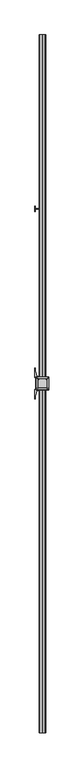
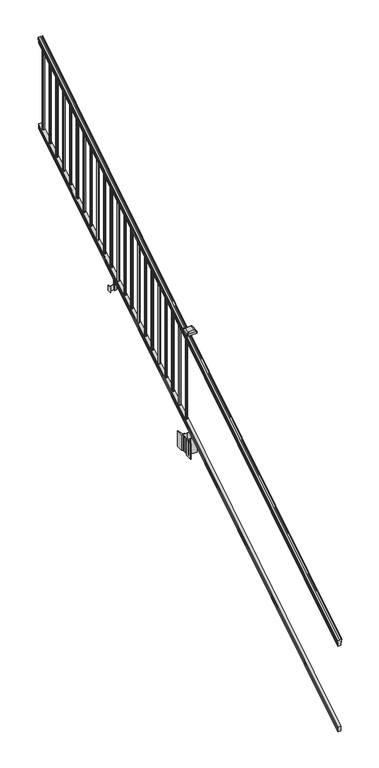
"""IFC4 building model written with IfcOpenShell, lengths in millimetres: railing geometry."""

from ifc_helpers import new_model, si_unit, point, frame, frame_2d, origin, place, context, project, spatial, polyline, circle_curve, ellipse_curve, trimmed, segment, composite_curve, outline, extrude, faceted_brep, source, transform, mapped, element, save
from ifc_brep_helpers import plane_surface, cylinder_surface, revolved_surface, extruded_surface, advanced_brep


def railing_89a7f696(model_context):
    return source(origin(), model_context, "Body", "SolidModel", [
        advanced_brep(
        [(8518.5130321, -22300.2194681, 1133.2070492), (8518.5130321, -22300.2194681, 1135.4335658), (8519.6432184, -22300.2194681, 1137.2758543), (8519.6432184, -22300.2194681, 1145.7876358), (8518.993962, -22300.2194681, 1148.6572588), (8521.493962, -22300.2194681, 1153.7635509), (8522.9033045, -22300.2194681, 1155.7442021), (8523.3052035, -22300.2194681, 1157.0469579), (8523.3052034, -22300.2194681, 1158.6274846), (8521.7517561, -22300.2194681, 1160.4593836), (8501.0802034, -22300.2194681, 1160.4593836), (8480.4086506, -22300.2194681, 1160.4593836), (8478.8552034, -22300.2194681, 1158.6274846), (8478.8552034, -22300.2194681, 1157.0469579), (8479.2571023, -22300.2194681, 1155.7442021), (8480.6664447, -22300.2194681, 1153.7635509), (8483.1664447, -22300.2194681, 1148.6572588), (8482.5171883, -22300.2194681, 1145.7876358), (8482.5171883, -22300.2194681, 1137.2758543), (8483.6473746, -22300.2194681, 1135.4335658), (8483.6473746, -22300.2194681, 1133.2070492), (8486.2212034, -22300.2194681, 1133.2070492), (8486.2212034, -22300.2194681, 1120.825537), (8485.2052034, -22300.2194681, 1119.6274214), (8485.2052034, -22300.2194681, 1104.9), (8516.9552034, -22300.2194681, 1104.9), (8516.9552034, -22300.2194681, 1119.441318), (8515.9392034, -22300.2194681, 1120.6394336), (8515.9392034, -22300.2194681, 1133.2070492), (8518.5130321, -17423.4194681, 4181.2070492), (8515.9392034, -17423.4194681, 4181.2070492), (8515.9392034, -17423.4194681, 4168.6394336), (8516.9552034, -17423.4194681, 4167.441318), (8516.9552034, -17423.4194681, 4152.9), (8485.2052034, -17423.4194681, 4152.9), (8485.2052034, -17423.4194681, 4167.6274214), (8486.2212034, -17423.4194681, 4168.825537), (8486.2212034, -17423.4194681, 4181.2070492), (8483.6473746, -17423.4194681, 4181.2070492), (8483.6473746, -17423.4194681, 4183.4335658), (8482.5171883, -17423.4194681, 4185.2758543), (8482.5171883, -17423.4194681, 4193.7876358), (8483.1664447, -17423.4194681, 4196.6572588), (8480.6664447, -17423.4194681, 4201.7635509), (8479.2571023, -17423.4194681, 4203.7442021), (8478.8552033, -17423.4194681, 4205.0469579), (8478.8552034, -17423.4194681, 4206.6274846), (8480.4086506, -17423.4194681, 4208.4593836), (8501.0802034, -17423.4194681, 4208.4593836), (8521.7517561, -17423.4194681, 4208.4593836), (8523.3052034, -17423.4194681, 4206.6274846), (8523.3052034, -17423.4194681, 4205.0469579), (8522.9033045, -17423.4194681, 4203.7442021), (8521.493962, -17423.4194681, 4201.7635509), (8518.993962, -17423.4194681, 4196.6572588), (8519.6432184, -17423.4194681, 4193.7876358), (8519.6432184, -17423.4194681, 4185.2758543), (8518.5130321, -17423.4194681, 4183.4335658)],
        [
            (0, 1),
            (1, 2, ellipse_curve(frame((8512.1982788, -22300.2194681, 1142.2239405), z_axis=(0.0, -1.0, 0.0), x_axis=(0.0, 0.0, -1.0)), 10.0777926, 8.545951)),
            (2, 3, ellipse_curve(frame((8512.6353418, -22300.2194681, 1141.5317451), z_axis=(0.0, -1.0, 0.0), x_axis=(0.0, 0.0, -1.0)), 9.2955186, 7.882584)),
            (3, 4, ellipse_curve(frame((8523.1486659, -22300.2194681, 1148.4275077), z_axis=(0.0, 1.0, 0.0), x_axis=(0.0, 0.0, 1.0)), 4.9048088, 4.1592695)),
            (4, 5, ellipse_curve(frame((8524.4359725, -22300.2194681, 1148.3563208), z_axis=(0.0, 1.0, 0.0), x_axis=(0.0, 0.0, 1.0)), 6.4245301, 5.4479907)),
            (5, 6, ellipse_curve(frame((8523.202814, -22300.2194681, 1153.7602333), z_axis=(0.0, 1.0, 0.0), x_axis=(0.0, 0.0, 1.0)), 2.0151625, 1.7088543)),
            (6, 7, ellipse_curve(frame((8521.5859139, -22300.2194681, 1157.0469579), z_axis=(0.0, -1.0, 0.0), x_axis=(0.0, 0.0, -1.0)), 2.0274681, 1.7192895)),
            (7, 8),
            (8, 9, ellipse_curve(frame((8521.7517561, -22300.2194681, 1158.6274846), z_axis=(0.0, -1.0, 0.0), x_axis=(0.0, 0.0, -1.0)), 1.831899, 1.5534472)),
            (9, 10),
            (10, 11),
            (11, 12, ellipse_curve(frame((8480.4086506, -22300.2194681, 1158.6274846), z_axis=(0.0, -1.0, 0.0), x_axis=(0.0, 0.0, -1.0)), 1.831899, 1.5534472)),
            (12, 13),
            (13, 14, ellipse_curve(frame((8480.5744928, -22300.2194681, 1157.0469579), z_axis=(0.0, -1.0, 0.0), x_axis=(0.0, 0.0, -1.0)), 2.0274681, 1.7192895)),
            (14, 15, ellipse_curve(frame((8478.9575927, -22300.2194681, 1153.7602333), z_axis=(0.0, 1.0, 0.0), x_axis=(0.0, 0.0, 1.0)), 2.0151625, 1.7088543)),
            (15, 16, ellipse_curve(frame((8477.7244343, -22300.2194681, 1148.3563208), z_axis=(0.0, 1.0, 0.0), x_axis=(0.0, 0.0, 1.0)), 6.4245301, 5.4479907)),
            (16, 17, ellipse_curve(frame((8479.0117408, -22300.2194681, 1148.4275077), z_axis=(0.0, 1.0, 0.0), x_axis=(0.0, 0.0, 1.0)), 4.9048088, 4.1592695)),
            (17, 18, ellipse_curve(frame((8489.525065, -22300.2194681, 1141.5317451), z_axis=(0.0, -1.0, 0.0), x_axis=(0.0, 0.0, -1.0)), 9.2955186, 7.882584)),
            (18, 19, ellipse_curve(frame((8489.9621279, -22300.2194681, 1142.2239405), z_axis=(0.0, -1.0, 0.0), x_axis=(0.0, 0.0, -1.0)), 10.0777926, 8.545951)),
            (19, 20),
            (20, 21, ellipse_curve(frame((8484.934289, -22300.2194681, 1133.2070492), z_axis=(0.0, -1.0, 0.0), x_axis=(0.0, 0.0, -1.0)), 1.5175907, 1.2869144)),
            (21, 22),
            (22, 23),
            (23, 24),
            (24, 25),
            (25, 26),
            (26, 27),
            (27, 28),
            (28, 0, ellipse_curve(frame((8517.2261177, -22300.2194681, 1133.2070492), z_axis=(0.0, -1.0, 0.0), x_axis=(0.0, 0.0, -1.0)), 1.5175907, 1.2869144)),
            (29, 30, ellipse_curve(frame((8517.2261177, -17423.4194681, 4181.2070492), z_axis=(0.0, 1.0, 0.0), x_axis=(0.0, 0.0, -1.0)), 1.5175907, 1.2869144)),
            (30, 31),
            (31, 32),
            (32, 33),
            (33, 34),
            (34, 35),
            (35, 36),
            (36, 37),
            (37, 38, ellipse_curve(frame((8484.934289, -17423.4194681, 4181.2070492), z_axis=(0.0, 1.0, 0.0), x_axis=(0.0, 0.0, -1.0)), 1.5175907, 1.2869144)),
            (38, 39),
            (39, 40, ellipse_curve(frame((8489.9621279, -17423.4194681, 4190.2239405), z_axis=(0.0, 1.0, 0.0), x_axis=(0.0, 0.0, -1.0)), 10.0777926, 8.545951)),
            (40, 41, ellipse_curve(frame((8489.525065, -17423.4194681, 4189.5317451), z_axis=(0.0, 1.0, 0.0), x_axis=(0.0, 0.0, -1.0)), 9.2955186, 7.882584)),
            (41, 42, ellipse_curve(frame((8479.0117408, -17423.4194681, 4196.4275077), z_axis=(0.0, -1.0, 0.0), x_axis=(0.0, 0.0, 1.0)), 4.9048088, 4.1592695)),
            (42, 43, ellipse_curve(frame((8477.7244343, -17423.4194681, 4196.3563208), z_axis=(0.0, -1.0, 0.0), x_axis=(0.0, 0.0, 1.0)), 6.4245301, 5.4479907)),
            (43, 44, ellipse_curve(frame((8478.9575927, -17423.4194681, 4201.7602333), z_axis=(0.0, -1.0, 0.0), x_axis=(0.0, 0.0, 1.0)), 2.0151625, 1.7088543)),
            (44, 45, ellipse_curve(frame((8480.5744928, -17423.4194681, 4205.0469579), z_axis=(0.0, 1.0, 0.0), x_axis=(0.0, 0.0, -1.0)), 2.0274681, 1.7192895)),
            (45, 46),
            (46, 47, ellipse_curve(frame((8480.4086506, -17423.4194681, 4206.6274846), z_axis=(0.0, 1.0, 0.0), x_axis=(0.0, 0.0, -1.0)), 1.831899, 1.5534472)),
            (47, 48),
            (48, 49),
            (49, 50, ellipse_curve(frame((8521.7517561, -17423.4194681, 4206.6274846), z_axis=(0.0, 1.0, 0.0), x_axis=(0.0, 0.0, -1.0)), 1.831899, 1.5534472)),
            (50, 51),
            (51, 52, ellipse_curve(frame((8521.5859139, -17423.4194681, 4205.0469579), z_axis=(0.0, 1.0, 0.0), x_axis=(0.0, 0.0, -1.0)), 2.0274681, 1.7192895)),
            (52, 53, ellipse_curve(frame((8523.202814, -17423.4194681, 4201.7602333), z_axis=(0.0, -1.0, 0.0), x_axis=(0.0, 0.0, 1.0)), 2.0151625, 1.7088543)),
            (53, 54, ellipse_curve(frame((8524.4359725, -17423.4194681, 4196.3563208), z_axis=(0.0, -1.0, 0.0), x_axis=(0.0, 0.0, 1.0)), 6.4245301, 5.4479907)),
            (54, 55, ellipse_curve(frame((8523.1486659, -17423.4194681, 4196.4275077), z_axis=(0.0, -1.0, 0.0), x_axis=(0.0, 0.0, 1.0)), 4.9048088, 4.1592695)),
            (55, 56, ellipse_curve(frame((8512.6353418, -17423.4194681, 4189.5317451), z_axis=(0.0, 1.0, 0.0), x_axis=(0.0, 0.0, -1.0)), 9.2955186, 7.882584)),
            (56, 57, ellipse_curve(frame((8512.1982788, -17423.4194681, 4190.2239405), z_axis=(0.0, 1.0, 0.0), x_axis=(0.0, 0.0, -1.0)), 10.0777926, 8.545951)),
            (57, 29),
            (28, 30),
            (29, 0),
            (27, 31),
            (26, 32),
            (25, 33),
            (24, 34),
            (23, 35),
            (22, 36),
            (21, 37),
            (20, 38),
            (19, 39),
            (18, 40),
            (17, 41),
            (16, 42),
            (15, 43),
            (14, 44),
            (13, 45),
            (12, 46),
            (11, 47),
            (10, 48),
            (9, 49),
            (8, 50),
            (7, 51),
            (6, 52),
            (5, 53),
            (4, 54),
            (3, 55),
            (2, 56),
            (1, 57),
        ],
        [
            plane_surface(frame((8501.0802034, -22300.2194681, 1104.9), z_axis=(0.0, -1.0, 0.0), x_axis=(0.0, 0.0, 1.0))),
            plane_surface(frame((8501.0802034, -17423.4194681, 4152.9), z_axis=(0.0, 1.0, 0.0), x_axis=(0.0, 0.0, 1.0))),
            cylinder_surface(frame((8517.2261177, -22312.9417374, 1125.2556309), z_axis=(0.0, -0.8479983040051251, -0.5299989400031206), x_axis=(-1.0, 0.0, 0.0)), 1.2869144),
            plane_surface(frame((8515.9392034, -22300.2194681, 1120.6394336), z_axis=(1.0, 0.0, 0.0), x_axis=(0.0, 0.8479983040051251, 0.5299989400031206))),
            plane_surface(frame((8516.9552034, -22300.2194681, 1119.441318), z_axis=(0.7071067811865389, -0.3747658444978941, 0.5996253511967222), x_axis=(0.0, 0.8479983040051251, 0.5299989400031206))),
            plane_surface(frame((8516.9552034, -22300.2194681, 1104.9), z_axis=(1.0, 0.0, 0.0), x_axis=(0.0, 0.8479983040051251, 0.5299989400031206))),
            plane_surface(frame((8485.2052034, -22300.2194681, 1104.9), z_axis=(0.0, 0.5299989400031206, -0.8479983040051251), x_axis=(0.0, 0.8479983040051251, 0.5299989400031206))),
            plane_surface(frame((8485.2052034, -22300.2194681, 1119.6274214), z_axis=(-1.0000000000000002, 0.0, 0.0), x_axis=(0.0, 0.8479983040051251, 0.5299989400031208))),
            plane_surface(frame((8486.2212034, -22300.2194681, 1120.825537), z_axis=(-0.7071067811865438, -0.3747658444978901, 0.5996253511967191), x_axis=(0.0, 0.8479983040051251, 0.5299989400031208))),
            plane_surface(frame((8486.2212034, -22300.2194681, 1133.2070492), z_axis=(-1.0, 0.0, 0.0), x_axis=(0.0, 0.8479983040051251, 0.5299989400031206))),
            cylinder_surface(frame((8484.934289, -22312.9417374, 1125.2556309), z_axis=(0.0, -0.8479983040051251, -0.5299989400031206), x_axis=(1.0, 0.0, 0.0)), 1.2869144),
            plane_surface(frame((8483.6473746, -22300.2194681, 1135.4335658), z_axis=(-1.0, 0.0, 0.0), x_axis=(0.0, 0.8479983040051251, 0.5299989400031206))),
            cylinder_surface(frame((8489.9621279, -22316.9942728, 1131.7396876), z_axis=(0.0, -0.8479983040051251, -0.5299989400031206), x_axis=(1.0, 0.0, 0.0)), 8.545951),
            cylinder_surface(frame((8489.525065, -22316.6831737, 1131.241929), z_axis=(0.0, -0.8479983040051251, -0.5299989400031206), x_axis=(1.0, 0.0, 0.0)), 7.882584),
            revolved_surface(polyline([(8483.1710103, -17421.21505965035, 4197.805262980555), (8483.1710103, -22302.423876549437, 1147.0497524191003)]), (8479.0117408, -22319.7823929, 1136.2006797), (0.0, 0.8479983040051251, 0.5299989400031206)),
            revolved_surface(polyline([(8483.172425, -17420.53203883574, 4198.160964077185), (8483.172425, -22303.10689735281, 1146.551677504493)]), (8477.7244343, -22319.7503988, 1136.1494891), (0.0, 0.8479983040051251, 0.5299989400031206)),
            revolved_surface(polyline([(8480.666447000001, -17422.513777099786, 4202.326290199656), (8480.666447000001, -22301.12515912247, 1153.1941764359528)]), (8478.9575927, -22322.1791235, 1140.0354487), (0.0, 0.8479983040051251, 0.5299989400031206)),
            cylinder_surface(frame((8480.5744928, -22323.6563031, 1142.398936), z_axis=(0.0, -0.8479983040051251, -0.5299989400031206), x_axis=(1.0, 0.0, 0.0)), 1.7192895),
            plane_surface(frame((8478.8552034, -22300.2194681, 1158.6274846), z_axis=(-1.0000000000000002, 0.0, 0.0), x_axis=(0.0, 0.8479983040051251, 0.5299989400031208))),
            cylinder_surface(frame((8480.4086506, -22324.3666522, 1143.5354945), z_axis=(0.0, -0.8479983040051251, -0.5299989400031206), x_axis=(1.0, 0.0, 0.0)), 1.5534472),
            plane_surface(frame((8501.0802034, -22300.2194681, 1160.4593836), z_axis=(0.0, -0.5299989400031206, 0.8479983040051252), x_axis=(0.0, 0.8479983040051252, 0.5299989400031206))),
            plane_surface(frame((8521.7517561, -22300.2194681, 1160.4593836), z_axis=(0.0, -0.5299989400031206, 0.8479983040051252), x_axis=(0.0, 0.8479983040051252, 0.5299989400031206))),
            cylinder_surface(frame((8521.7517561, -22324.3666522, 1143.5354945), z_axis=(0.0, -0.8479983040051251, -0.5299989400031206), x_axis=(-1.0, 0.0, 0.0)), 1.5534472),
            plane_surface(frame((8523.3052034, -22300.2194681, 1157.0469579), z_axis=(1.0, 0.0, 0.0), x_axis=(0.0, 0.8479983040051251, 0.5299989400031206))),
            cylinder_surface(frame((8521.5859139, -22323.6563031, 1142.398936), z_axis=(0.0, -0.8479983040051251, -0.5299989400031206), x_axis=(-1.0, 0.0, 0.0)), 1.7192895),
            revolved_surface(polyline([(8521.4939597, -17422.513777099786, 4202.326290199656), (8521.4939597, -22301.12515912247, 1153.1941764359528)]), (8523.202814, -22322.1791235, 1140.0354487), (0.0, 0.8479983040051251, 0.5299989400031206)),
            revolved_surface(polyline([(8518.987981799999, -17420.53203883574, 4198.160964077185), (8518.987981799999, -22303.10689735281, 1146.551677504493)]), (8524.4359725, -22319.7503988, 1136.1494891), (0.0, 0.8479983040051251, 0.5299989400031206)),
            revolved_surface(polyline([(8518.9893964, -17421.21505965035, 4197.805262980555), (8518.9893964, -22302.423876549437, 1147.0497524191003)]), (8523.1486659, -22319.7823929, 1136.2006797), (0.0, 0.8479983040051251, 0.5299989400031206)),
            cylinder_surface(frame((8512.6353418, -22316.6831737, 1131.241929), z_axis=(0.0, -0.8479983040051251, -0.5299989400031206), x_axis=(-1.0, 0.0, 0.0)), 7.882584),
            cylinder_surface(frame((8512.1982788, -22316.9942728, 1131.7396876), z_axis=(0.0, -0.8479983040051251, -0.5299989400031206), x_axis=(-1.0, 0.0, 0.0)), 8.545951),
            plane_surface(frame((8518.5130321, -22300.2194681, 1133.2070492), z_axis=(1.0, 0.0, 0.0), x_axis=(0.0, 0.8479983040051251, 0.5299989400031206))),
        ],
        [
            (0, [[1, 2, 3, 4, 5, 6, 7, 8, 9, 10, 11, 12, 13, 14, 15, 16, 17, 18, 19, 20, 21, 22, 23, 24, 25, 26, 27, 28, 29]]),
            (1, [[30, 31, 32, 33, 34, 35, 36, 37, 38, 39, 40, 41, 42, 43, 44, 45, 46, 47, 48, 49, 50, 51, 52, 53, 54, 55, 56, 57, 58]]),
            (2, [[-29, 59, -30, 60]]),
            (3, [[-28, 61, -31, -59]]),
            (4, [[-27, 62, -32, -61]]),
            (5, [[-26, 63, -33, -62]]),
            (6, [[-25, 64, -34, -63]]),
            (7, [[-24, 65, -35, -64]]),
            (8, [[-23, 66, -36, -65]]),
            (9, [[-22, 67, -37, -66]]),
            (10, [[-21, 68, -38, -67]]),
            (11, [[-20, 69, -39, -68]]),
            (12, [[-19, 70, -40, -69]]),
            (13, [[-18, 71, -41, -70]]),
            (14, [[-17, 72, -42, -71]]),
            (15, [[-16, 73, -43, -72]]),
            (16, [[-15, 74, -44, -73]]),
            (17, [[-14, 75, -45, -74]]),
            (18, [[-13, 76, -46, -75]]),
            (19, [[-12, 77, -47, -76]]),
            (20, [[-11, 78, -48, -77]]),
            (21, [[-10, 79, -49, -78]]),
            (22, [[-9, 80, -50, -79]]),
            (23, [[-8, 81, -51, -80]]),
            (24, [[-7, 82, -52, -81]]),
            (25, [[-6, 83, -53, -82]]),
            (26, [[-5, 84, -54, -83]]),
            (27, [[-4, 85, -55, -84]]),
            (28, [[-3, 86, -56, -85]]),
            (29, [[-2, 87, -57, -86]]),
            (30, [[-1, -60, -58, -87]]),
        ],
    ),
        faceted_brep([(8516.9926903, -22300.2194681, 268.8045079), (8515.9766903, -22300.2194681, 270.338026), (8515.9766903, -22300.2194681, 282.5545048), (8516.9926903, -22300.2194681, 284.1444579), (8516.9926903, -22300.2194681, 298.9244744), (8485.2426903, -22300.2194681, 298.9244744), (8485.2426903, -22300.2194681, 284.1248272), (8486.2586903, -22300.2194681, 282.5348741), (8486.2586903, -22300.2194681, 270.3748303), (8485.2426903, -22300.2194681, 268.7848772), (8485.2426903, -22300.2194681, 254.0), (8516.9926903, -22300.2194681, 254.0), (8516.9926903, -17423.4194681, 3316.8045079), (8516.9926903, -17423.4194681, 3302.0), (8485.2426903, -17423.4194681, 3302.0), (8485.2426903, -17423.4194681, 3316.7848772), (8486.2586903, -17423.4194681, 3318.3748303), (8486.2586903, -17423.4194681, 3330.5348741), (8485.2426903, -17423.4194681, 3332.1248272), (8485.2426903, -17423.4194681, 3346.9244744), (8516.9926903, -17423.4194681, 3346.9244744), (8516.9926903, -17423.4194681, 3332.1444579), (8515.9766903, -17423.4194681, 3330.5545048), (8515.9766903, -17423.4194681, 3318.338026)], [[[0, 1, 2, 3, 4, 5, 6, 7, 8, 9, 10, 11]], [[12, 13, 14, 15, 16, 17, 18, 19, 20, 21, 22, 23]], [[0, 11, 13, 12]], [[11, 10, 14, 13]], [[10, 9, 15, 14]], [[9, 8, 16, 15]], [[8, 7, 17, 16]], [[7, 6, 18, 17]], [[6, 5, 19, 18]], [[5, 4, 20, 19]], [[4, 3, 21, 20]], [[3, 2, 22, 21]], [[2, 1, 23, 22]], [[1, 0, 12, 23]]]),
        extrude(outline(composite_curve([segment(trimmed(circle_curve(frame_2d((8501.0802034, -17470.6634681)), 9.525), [point((8510.6052034, -17470.6634681))], [point((8501.0802034, -17480.1884681))], False, "CARTESIAN"), True, "CONTINUOUS"), segment(trimmed(circle_curve(frame_2d((8501.0802034, -17470.6634681)), 9.525), [point((8501.0802034, -17480.1884681))], [point((8491.5552034, -17470.6634681))], False, "CARTESIAN"), True, "CONTINUOUS"), segment(trimmed(circle_curve(frame_2d((8501.0802034, -17470.6634681)), 9.525), [point((8491.5552034, -17470.6634681))], [point((8501.0802034, -17461.1384681))], False, "CARTESIAN"), True, "CONTINUOUS"), segment(trimmed(circle_curve(frame_2d((8501.0802034, -17470.6634681)), 9.525), [point((8501.0802034, -17461.1384681))], [point((8510.6052034, -17470.6634681))], False, "CARTESIAN"), True, "CONTINUOUS")], self_intersect=False)), frame((0.0, 0.0, 3310.5683781), z_axis=(0.0, 0.0, 1.0), x_axis=(1.0, 0.0, 0.0)), (0.0, 0.0, 1.0), 812.8041219),
        extrude(outline(composite_curve([segment(trimmed(circle_curve(frame_2d((8501.0802034, -17581.9154681)), 9.525), [point((8510.6052034, -17581.9154681))], [point((8501.0802034, -17591.4404681))], False, "CARTESIAN"), True, "CONTINUOUS"), segment(trimmed(circle_curve(frame_2d((8501.0802034, -17581.9154681)), 9.525), [point((8501.0802034, -17591.4404681))], [point((8491.5552034, -17581.9154681))], False, "CARTESIAN"), True, "CONTINUOUS"), segment(trimmed(circle_curve(frame_2d((8501.0802034, -17581.9154681)), 9.525), [point((8491.5552034, -17581.9154681))], [point((8501.0802034, -17572.3904681))], False, "CARTESIAN"), True, "CONTINUOUS"), segment(trimmed(circle_curve(frame_2d((8501.0802034, -17581.9154681)), 9.525), [point((8501.0802034, -17572.3904681))], [point((8510.6052034, -17581.9154681))], False, "CARTESIAN"), True, "CONTINUOUS")], self_intersect=False)), frame((0.0, 0.0, 3241.0358781), z_axis=(0.0, 0.0, 1.0), x_axis=(1.0, 0.0, 0.0)), (0.0, 0.0, 1.0), 812.8041219),
        extrude(outline(composite_curve([segment(trimmed(circle_curve(frame_2d((8501.0802034, -17693.1674681)), 9.525), [point((8510.6052034, -17693.1674681))], [point((8501.0802034, -17702.6924681))], False, "CARTESIAN"), True, "CONTINUOUS"), segment(trimmed(circle_curve(frame_2d((8501.0802034, -17693.1674681)), 9.525), [point((8501.0802034, -17702.6924681))], [point((8491.5552034, -17693.1674681))], False, "CARTESIAN"), True, "CONTINUOUS"), segment(trimmed(circle_curve(frame_2d((8501.0802034, -17693.1674681)), 9.525), [point((8491.5552034, -17693.1674681))], [point((8501.0802034, -17683.6424681))], False, "CARTESIAN"), True, "CONTINUOUS"), segment(trimmed(circle_curve(frame_2d((8501.0802034, -17693.1674681)), 9.525), [point((8501.0802034, -17683.6424681))], [point((8510.6052034, -17693.1674681))], False, "CARTESIAN"), True, "CONTINUOUS")], self_intersect=False)), frame((0.0, 0.0, 3171.5033781), z_axis=(0.0, 0.0, 1.0), x_axis=(1.0, 0.0, 0.0)), (0.0, 0.0, 1.0), 812.8041219),
        extrude(outline(composite_curve([segment(trimmed(circle_curve(frame_2d((8501.0802034, -17804.4194681)), 9.525), [point((8510.6052034, -17804.4194681))], [point((8501.0802034, -17813.9444681))], False, "CARTESIAN"), True, "CONTINUOUS"), segment(trimmed(circle_curve(frame_2d((8501.0802034, -17804.4194681)), 9.525), [point((8501.0802034, -17813.9444681))], [point((8491.5552034, -17804.4194681))], False, "CARTESIAN"), True, "CONTINUOUS"), segment(trimmed(circle_curve(frame_2d((8501.0802034, -17804.4194681)), 9.525), [point((8491.5552034, -17804.4194681))], [point((8501.0802034, -17794.8944681))], False, "CARTESIAN"), True, "CONTINUOUS"), segment(trimmed(circle_curve(frame_2d((8501.0802034, -17804.4194681)), 9.525), [point((8501.0802034, -17794.8944681))], [point((8510.6052034, -17804.4194681))], False, "CARTESIAN"), True, "CONTINUOUS")], self_intersect=False)), frame((0.0, 0.0, 3101.9708781), z_axis=(0.0, 0.0, 1.0), x_axis=(1.0, 0.0, 0.0)), (0.0, 0.0, 1.0), 812.8041219),
        extrude(outline(composite_curve([segment(trimmed(circle_curve(frame_2d((8501.0802034, -17915.6714681)), 9.525), [point((8510.6052034, -17915.6714681))], [point((8501.0802034, -17925.1964681))], False, "CARTESIAN"), True, "CONTINUOUS"), segment(trimmed(circle_curve(frame_2d((8501.0802034, -17915.6714681)), 9.525), [point((8501.0802034, -17925.1964681))], [point((8491.5552034, -17915.6714681))], False, "CARTESIAN"), True, "CONTINUOUS"), segment(trimmed(circle_curve(frame_2d((8501.0802034, -17915.6714681)), 9.525), [point((8491.5552034, -17915.6714681))], [point((8501.0802034, -17906.1464681))], False, "CARTESIAN"), True, "CONTINUOUS"), segment(trimmed(circle_curve(frame_2d((8501.0802034, -17915.6714681)), 9.525), [point((8501.0802034, -17906.1464681))], [point((8510.6052034, -17915.6714681))], False, "CARTESIAN"), True, "CONTINUOUS")], self_intersect=False)), frame((0.0, 0.0, 3032.4383781), z_axis=(0.0, 0.0, 1.0), x_axis=(1.0, 0.0, 0.0)), (0.0, 0.0, 1.0), 812.8041219),
        extrude(outline(composite_curve([segment(trimmed(circle_curve(frame_2d((8501.0802034, -18026.9234681)), 9.525), [point((8510.6052034, -18026.9234681))], [point((8501.0802034, -18036.4484681))], False, "CARTESIAN"), True, "CONTINUOUS"), segment(trimmed(circle_curve(frame_2d((8501.0802034, -18026.9234681)), 9.525), [point((8501.0802034, -18036.4484681))], [point((8491.5552034, -18026.9234681))], False, "CARTESIAN"), True, "CONTINUOUS"), segment(trimmed(circle_curve(frame_2d((8501.0802034, -18026.9234681)), 9.525), [point((8491.5552034, -18026.9234681))], [point((8501.0802034, -18017.3984681))], False, "CARTESIAN"), True, "CONTINUOUS"), segment(trimmed(circle_curve(frame_2d((8501.0802034, -18026.9234681)), 9.525), [point((8501.0802034, -18017.3984681))], [point((8510.6052034, -18026.9234681))], False, "CARTESIAN"), True, "CONTINUOUS")], self_intersect=False)), frame((0.0, 0.0, 2962.9058781), z_axis=(0.0, 0.0, 1.0), x_axis=(1.0, 0.0, 0.0)), (0.0, 0.0, 1.0), 812.8041219),
        extrude(outline(composite_curve([segment(trimmed(circle_curve(frame_2d((8501.0802034, -18138.1754681)), 9.525), [point((8510.6052034, -18138.1754681))], [point((8501.0802034, -18147.7004681))], False, "CARTESIAN"), True, "CONTINUOUS"), segment(trimmed(circle_curve(frame_2d((8501.0802034, -18138.1754681)), 9.525), [point((8501.0802034, -18147.7004681))], [point((8491.5552034, -18138.1754681))], False, "CARTESIAN"), True, "CONTINUOUS"), segment(trimmed(circle_curve(frame_2d((8501.0802034, -18138.1754681)), 9.525), [point((8491.5552034, -18138.1754681))], [point((8501.0802034, -18128.6504681))], False, "CARTESIAN"), True, "CONTINUOUS"), segment(trimmed(circle_curve(frame_2d((8501.0802034, -18138.1754681)), 9.525), [point((8501.0802034, -18128.6504681))], [point((8510.6052034, -18138.1754681))], False, "CARTESIAN"), True, "CONTINUOUS")], self_intersect=False)), frame((0.0, 0.0, 2893.3733781), z_axis=(0.0, 0.0, 1.0), x_axis=(1.0, 0.0, 0.0)), (0.0, 0.0, 1.0), 812.8041219),
        extrude(outline(composite_curve([segment(trimmed(circle_curve(frame_2d((8501.0802034, -18249.4274681)), 9.525), [point((8510.6052034, -18249.4274681))], [point((8501.0802034, -18258.9524681))], False, "CARTESIAN"), True, "CONTINUOUS"), segment(trimmed(circle_curve(frame_2d((8501.0802034, -18249.4274681)), 9.525), [point((8501.0802034, -18258.9524681))], [point((8491.5552034, -18249.4274681))], False, "CARTESIAN"), True, "CONTINUOUS"), segment(trimmed(circle_curve(frame_2d((8501.0802034, -18249.4274681)), 9.525), [point((8491.5552034, -18249.4274681))], [point((8501.0802034, -18239.9024681))], False, "CARTESIAN"), True, "CONTINUOUS"), segment(trimmed(circle_curve(frame_2d((8501.0802034, -18249.4274681)), 9.525), [point((8501.0802034, -18239.9024681))], [point((8510.6052034, -18249.4274681))], False, "CARTESIAN"), True, "CONTINUOUS")], self_intersect=False)), frame((0.0, 0.0, 2823.8408781), z_axis=(0.0, 0.0, 1.0), x_axis=(1.0, 0.0, 0.0)), (0.0, 0.0, 1.0), 812.8041219),
        extrude(outline(composite_curve([segment(trimmed(circle_curve(frame_2d((8501.0802034, -18360.6794681)), 9.525), [point((8510.6052034, -18360.6794681))], [point((8501.0802034, -18370.2044681))], False, "CARTESIAN"), True, "CONTINUOUS"), segment(trimmed(circle_curve(frame_2d((8501.0802034, -18360.6794681)), 9.525), [point((8501.0802034, -18370.2044681))], [point((8491.5552034, -18360.6794681))], False, "CARTESIAN"), True, "CONTINUOUS"), segment(trimmed(circle_curve(frame_2d((8501.0802034, -18360.6794681)), 9.525), [point((8491.5552034, -18360.6794681))], [point((8501.0802034, -18351.1544681))], False, "CARTESIAN"), True, "CONTINUOUS"), segment(trimmed(circle_curve(frame_2d((8501.0802034, -18360.6794681)), 9.525), [point((8501.0802034, -18351.1544681))], [point((8510.6052034, -18360.6794681))], False, "CARTESIAN"), True, "CONTINUOUS")], self_intersect=False)), frame((0.0, 0.0, 2754.3083781), z_axis=(0.0, 0.0, 1.0), x_axis=(1.0, 0.0, 0.0)), (0.0, 0.0, 1.0), 812.8041219),
        extrude(outline(composite_curve([segment(trimmed(circle_curve(frame_2d((8501.0802034, -18471.9314681)), 9.525), [point((8510.6052034, -18471.9314681))], [point((8501.0802034, -18481.4564681))], False, "CARTESIAN"), True, "CONTINUOUS"), segment(trimmed(circle_curve(frame_2d((8501.0802034, -18471.9314681)), 9.525), [point((8501.0802034, -18481.4564681))], [point((8491.5552034, -18471.9314681))], False, "CARTESIAN"), True, "CONTINUOUS"), segment(trimmed(circle_curve(frame_2d((8501.0802034, -18471.9314681)), 9.525), [point((8491.5552034, -18471.9314681))], [point((8501.0802034, -18462.4064681))], False, "CARTESIAN"), True, "CONTINUOUS"), segment(trimmed(circle_curve(frame_2d((8501.0802034, -18471.9314681)), 9.525), [point((8501.0802034, -18462.4064681))], [point((8510.6052034, -18471.9314681))], False, "CARTESIAN"), True, "CONTINUOUS")], self_intersect=False)), frame((0.0, 0.0, 2684.7758781), z_axis=(0.0, 0.0, 1.0), x_axis=(1.0, 0.0, 0.0)), (0.0, 0.0, 1.0), 812.8041219),
        extrude(outline(composite_curve([segment(trimmed(circle_curve(frame_2d((8501.0802034, -18583.1834681)), 9.525), [point((8510.6052034, -18583.1834681))], [point((8501.0802034, -18592.7084681))], False, "CARTESIAN"), True, "CONTINUOUS"), segment(trimmed(circle_curve(frame_2d((8501.0802034, -18583.1834681)), 9.525), [point((8501.0802034, -18592.7084681))], [point((8491.5552034, -18583.1834681))], False, "CARTESIAN"), True, "CONTINUOUS"), segment(trimmed(circle_curve(frame_2d((8501.0802034, -18583.1834681)), 9.525), [point((8491.5552034, -18583.1834681))], [point((8501.0802034, -18573.6584681))], False, "CARTESIAN"), True, "CONTINUOUS"), segment(trimmed(circle_curve(frame_2d((8501.0802034, -18583.1834681)), 9.525), [point((8501.0802034, -18573.6584681))], [point((8510.6052034, -18583.1834681))], False, "CARTESIAN"), True, "CONTINUOUS")], self_intersect=False)), frame((0.0, 0.0, 2615.2433781), z_axis=(0.0, 0.0, 1.0), x_axis=(1.0, 0.0, 0.0)), (0.0, 0.0, 1.0), 812.8041219),
        extrude(outline(polyline([(8490.4122036, -18640.0794681), (8451.0422034, -18640.0794681), (8451.0422034, -18637.5394681), (8490.4122036, -18637.5394681), (8490.4122036, -18640.0794681)])), frame((0.0, 0.0, 2428.08125), z_axis=(0.0, 0.0, 1.0), x_axis=(1.0, 0.0, 0.0)), (0.0, 0.0, 1.0), 50.8),
        extrude(outline(polyline([(8451.0422034, -18657.8594681), (8448.5022034, -18657.8594681), (8448.5022034, -18619.7594681), (8451.0422034, -18619.7594681), (8451.0422034, -18657.8594681)])), frame((0.0, 0.0, 2428.08125), z_axis=(0.0, 0.0, 1.0), x_axis=(1.0, 0.0, 0.0)), (0.0, 0.0, 1.0), 50.8),
        extrude(outline(polyline([(8511.7482041, -18648.7154681), (8490.4122036, -18648.7154681), (8490.4122036, -18628.9034681), (8511.7482041, -18628.9034681), (8511.7482041, -18648.7154681)]), holes=[polyline([(8508.446204, -18646.1754681), (8508.446204, -18631.4434681), (8493.7142037, -18631.4434681), (8493.7142037, -18646.1754681), (8508.446204, -18646.1754681)])]), frame((0.0, 0.0, 2428.08125), z_axis=(0.0, 0.0, 1.0), x_axis=(1.0, 0.0, 0.0)), (0.0, 0.0, 1.0), 50.8),
        extrude(outline(polyline([(2567.6016479, 8482.9192046), (2566.8396469, 8482.1572035), (2540.3492523, 8482.1572035), (2539.5872513, 8482.9192046), (2539.5872513, 8492.9522036), (2538.8252512, 8493.7142037), (2475.3252512, 8493.7142037), (2475.3252512, 8508.446204), (2538.8252512, 8508.446204), (2539.5872513, 8509.2082041), (2539.5872513, 8519.2412032), (2540.3492523, 8520.0032042), (2566.8396469, 8520.0032042), (2567.6016479, 8519.2412032), (2567.6016479, 8517.2092036), (2566.5856453, 8516.1932038), (2556.1498581, 8516.1932038), (2555.1338573, 8517.2092036), (2543.143251, 8517.2092036), (2542.3812519, 8516.4472044), (2542.3812519, 8485.7132033), (2543.143251, 8484.9512041), (2555.1338573, 8484.9512041), (2556.1498581, 8485.9672039), (2566.5856453, 8485.9672039), (2567.6016479, 8484.9512041), (2567.6016479, 8482.9192046)]), holes=[polyline([(2539.5872513, 8504.5092038), (2538.8252512, 8505.2712038), (2482.8182531, 8505.2712038), (2482.0562531, 8504.5092038), (2482.0562531, 8497.6512011), (2482.8182503, 8496.8892039), (2538.8252512, 8496.8892039), (2539.5872513, 8497.651204), (2539.5872513, 8504.5092038)])]), frame((0.0, -18646.1754681, 0.0), z_axis=(0.0, 1.0, 0.0), x_axis=(0.0, 0.0, 1.0)), (0.0, 0.0, 1.0), 14.732),
        extrude(outline(composite_curve([segment(trimmed(circle_curve(frame_2d((8501.0802034, -18694.4354681)), 9.525), [point((8510.6052034, -18694.4354681))], [point((8501.0802034, -18703.9604681))], False, "CARTESIAN"), True, "CONTINUOUS"), segment(trimmed(circle_curve(frame_2d((8501.0802034, -18694.4354681)), 9.525), [point((8501.0802034, -18703.9604681))], [point((8491.5552034, -18694.4354681))], False, "CARTESIAN"), True, "CONTINUOUS"), segment(trimmed(circle_curve(frame_2d((8501.0802034, -18694.4354681)), 9.525), [point((8491.5552034, -18694.4354681))], [point((8501.0802034, -18684.9104681))], False, "CARTESIAN"), True, "CONTINUOUS"), segment(trimmed(circle_curve(frame_2d((8501.0802034, -18694.4354681)), 9.525), [point((8501.0802034, -18684.9104681))], [point((8510.6052034, -18694.4354681))], False, "CARTESIAN"), True, "CONTINUOUS")], self_intersect=False)), frame((0.0, 0.0, 2545.7108781), z_axis=(0.0, 0.0, 1.0), x_axis=(1.0, 0.0, 0.0)), (0.0, 0.0, 1.0), 812.8041219),
        extrude(outline(composite_curve([segment(trimmed(circle_curve(frame_2d((8501.0802034, -18805.6874681)), 9.525), [point((8510.6052034, -18805.6874681))], [point((8501.0802034, -18815.2124681))], False, "CARTESIAN"), True, "CONTINUOUS"), segment(trimmed(circle_curve(frame_2d((8501.0802034, -18805.6874681)), 9.525), [point((8501.0802034, -18815.2124681))], [point((8491.5552034, -18805.6874681))], False, "CARTESIAN"), True, "CONTINUOUS"), segment(trimmed(circle_curve(frame_2d((8501.0802034, -18805.6874681)), 9.525), [point((8491.5552034, -18805.6874681))], [point((8501.0802034, -18796.1624681))], False, "CARTESIAN"), True, "CONTINUOUS"), segment(trimmed(circle_curve(frame_2d((8501.0802034, -18805.6874681)), 9.525), [point((8501.0802034, -18796.1624681))], [point((8510.6052034, -18805.6874681))], False, "CARTESIAN"), True, "CONTINUOUS")], self_intersect=False)), frame((0.0, 0.0, 2476.1783781), z_axis=(0.0, 0.0, 1.0), x_axis=(1.0, 0.0, 0.0)), (0.0, 0.0, 1.0), 812.8041219),
        extrude(outline(composite_curve([segment(trimmed(circle_curve(frame_2d((8501.0802034, -18916.9394681)), 9.525), [point((8510.6052034, -18916.9394681))], [point((8501.0802034, -18926.4644681))], False, "CARTESIAN"), True, "CONTINUOUS"), segment(trimmed(circle_curve(frame_2d((8501.0802034, -18916.9394681)), 9.525), [point((8501.0802034, -18926.4644681))], [point((8491.5552034, -18916.9394681))], False, "CARTESIAN"), True, "CONTINUOUS"), segment(trimmed(circle_curve(frame_2d((8501.0802034, -18916.9394681)), 9.525), [point((8491.5552034, -18916.9394681))], [point((8501.0802034, -18907.4144681))], False, "CARTESIAN"), True, "CONTINUOUS"), segment(trimmed(circle_curve(frame_2d((8501.0802034, -18916.9394681)), 9.525), [point((8501.0802034, -18907.4144681))], [point((8510.6052034, -18916.9394681))], False, "CARTESIAN"), True, "CONTINUOUS")], self_intersect=False)), frame((0.0, 0.0, 2406.6458781), z_axis=(0.0, 0.0, 1.0), x_axis=(1.0, 0.0, 0.0)), (0.0, 0.0, 1.0), 812.8041219),
        extrude(outline(composite_curve([segment(trimmed(circle_curve(frame_2d((8501.0802034, -19028.1914681)), 9.525), [point((8510.6052034, -19028.1914681))], [point((8501.0802034, -19037.7164681))], False, "CARTESIAN"), True, "CONTINUOUS"), segment(trimmed(circle_curve(frame_2d((8501.0802034, -19028.1914681)), 9.525), [point((8501.0802034, -19037.7164681))], [point((8491.5552034, -19028.1914681))], False, "CARTESIAN"), True, "CONTINUOUS"), segment(trimmed(circle_curve(frame_2d((8501.0802034, -19028.1914681)), 9.525), [point((8491.5552034, -19028.1914681))], [point((8501.0802034, -19018.6664681))], False, "CARTESIAN"), True, "CONTINUOUS"), segment(trimmed(circle_curve(frame_2d((8501.0802034, -19028.1914681)), 9.525), [point((8501.0802034, -19018.6664681))], [point((8510.6052034, -19028.1914681))], False, "CARTESIAN"), True, "CONTINUOUS")], self_intersect=False)), frame((0.0, 0.0, 2337.1133781), z_axis=(0.0, 0.0, 1.0), x_axis=(1.0, 0.0, 0.0)), (0.0, 0.0, 1.0), 812.8041219),
        extrude(outline(composite_curve([segment(trimmed(circle_curve(frame_2d((8501.0802034, -19139.4434681)), 9.525), [point((8510.6052034, -19139.4434681))], [point((8501.0802034, -19148.9684681))], False, "CARTESIAN"), True, "CONTINUOUS"), segment(trimmed(circle_curve(frame_2d((8501.0802034, -19139.4434681)), 9.525), [point((8501.0802034, -19148.9684681))], [point((8491.5552034, -19139.4434681))], False, "CARTESIAN"), True, "CONTINUOUS"), segment(trimmed(circle_curve(frame_2d((8501.0802034, -19139.4434681)), 9.525), [point((8491.5552034, -19139.4434681))], [point((8501.0802034, -19129.9184681))], False, "CARTESIAN"), True, "CONTINUOUS"), segment(trimmed(circle_curve(frame_2d((8501.0802034, -19139.4434681)), 9.525), [point((8501.0802034, -19129.9184681))], [point((8510.6052034, -19139.4434681))], False, "CARTESIAN"), True, "CONTINUOUS")], self_intersect=False)), frame((0.0, 0.0, 2267.5808781), z_axis=(0.0, 0.0, 1.0), x_axis=(1.0, 0.0, 0.0)), (0.0, 0.0, 1.0), 812.8041219),
        extrude(outline(composite_curve([segment(trimmed(circle_curve(frame_2d((8501.0802034, -19250.6954681)), 9.525), [point((8510.6052034, -19250.6954681))], [point((8501.0802034, -19260.2204681))], False, "CARTESIAN"), True, "CONTINUOUS"), segment(trimmed(circle_curve(frame_2d((8501.0802034, -19250.6954681)), 9.525), [point((8501.0802034, -19260.2204681))], [point((8491.5552034, -19250.6954681))], False, "CARTESIAN"), True, "CONTINUOUS"), segment(trimmed(circle_curve(frame_2d((8501.0802034, -19250.6954681)), 9.525), [point((8491.5552034, -19250.6954681))], [point((8501.0802034, -19241.1704681))], False, "CARTESIAN"), True, "CONTINUOUS"), segment(trimmed(circle_curve(frame_2d((8501.0802034, -19250.6954681)), 9.525), [point((8501.0802034, -19241.1704681))], [point((8510.6052034, -19250.6954681))], False, "CARTESIAN"), True, "CONTINUOUS")], self_intersect=False)), frame((0.0, 0.0, 2198.0483781), z_axis=(0.0, 0.0, 1.0), x_axis=(1.0, 0.0, 0.0)), (0.0, 0.0, 1.0), 812.8041219),
        extrude(outline(composite_curve([segment(trimmed(circle_curve(frame_2d((8501.0802034, -19361.9474681)), 9.525), [point((8510.6052034, -19361.9474681))], [point((8501.0802034, -19371.4724681))], False, "CARTESIAN"), True, "CONTINUOUS"), segment(trimmed(circle_curve(frame_2d((8501.0802034, -19361.9474681)), 9.525), [point((8501.0802034, -19371.4724681))], [point((8491.5552034, -19361.9474681))], False, "CARTESIAN"), True, "CONTINUOUS"), segment(trimmed(circle_curve(frame_2d((8501.0802034, -19361.9474681)), 9.525), [point((8491.5552034, -19361.9474681))], [point((8501.0802034, -19352.4224681))], False, "CARTESIAN"), True, "CONTINUOUS"), segment(trimmed(circle_curve(frame_2d((8501.0802034, -19361.9474681)), 9.525), [point((8501.0802034, -19352.4224681))], [point((8510.6052034, -19361.9474681))], False, "CARTESIAN"), True, "CONTINUOUS")], self_intersect=False)), frame((0.0, 0.0, 2128.5158781), z_axis=(0.0, 0.0, 1.0), x_axis=(1.0, 0.0, 0.0)), (0.0, 0.0, 1.0), 812.8041219),
        extrude(outline(composite_curve([segment(trimmed(circle_curve(frame_2d((8501.0802034, -19473.1994681)), 9.525), [point((8510.6052034, -19473.1994681))], [point((8501.0802034, -19482.7244681))], False, "CARTESIAN"), True, "CONTINUOUS"), segment(trimmed(circle_curve(frame_2d((8501.0802034, -19473.1994681)), 9.525), [point((8501.0802034, -19482.7244681))], [point((8491.5552034, -19473.1994681))], False, "CARTESIAN"), True, "CONTINUOUS"), segment(trimmed(circle_curve(frame_2d((8501.0802034, -19473.1994681)), 9.525), [point((8491.5552034, -19473.1994681))], [point((8501.0802034, -19463.6744681))], False, "CARTESIAN"), True, "CONTINUOUS"), segment(trimmed(circle_curve(frame_2d((8501.0802034, -19473.1994681)), 9.525), [point((8501.0802034, -19463.6744681))], [point((8510.6052034, -19473.1994681))], False, "CARTESIAN"), True, "CONTINUOUS")], self_intersect=False)), frame((0.0, 0.0, 2058.9833781), z_axis=(0.0, 0.0, 1.0), x_axis=(1.0, 0.0, 0.0)), (0.0, 0.0, 1.0), 812.8041219),
        extrude(outline(composite_curve([segment(trimmed(circle_curve(frame_2d((8501.0802034, -19584.4514681)), 9.525), [point((8510.6052034, -19584.4514681))], [point((8501.0802034, -19593.9764681))], False, "CARTESIAN"), True, "CONTINUOUS"), segment(trimmed(circle_curve(frame_2d((8501.0802034, -19584.4514681)), 9.525), [point((8501.0802034, -19593.9764681))], [point((8491.5552034, -19584.4514681))], False, "CARTESIAN"), True, "CONTINUOUS"), segment(trimmed(circle_curve(frame_2d((8501.0802034, -19584.4514681)), 9.525), [point((8491.5552034, -19584.4514681))], [point((8501.0802034, -19574.9264681))], False, "CARTESIAN"), True, "CONTINUOUS"), segment(trimmed(circle_curve(frame_2d((8501.0802034, -19584.4514681)), 9.525), [point((8501.0802034, -19574.9264681))], [point((8510.6052034, -19584.4514681))], False, "CARTESIAN"), True, "CONTINUOUS")], self_intersect=False)), frame((0.0, 0.0, 1989.4508781), z_axis=(0.0, 0.0, 1.0), x_axis=(1.0, 0.0, 0.0)), (0.0, 0.0, 1.0), 812.8041219),
        extrude(outline(composite_curve([segment(trimmed(circle_curve(frame_2d((8501.0802034, -19695.7034681)), 9.525), [point((8510.6052034, -19695.7034681))], [point((8501.0802034, -19705.2284681))], False, "CARTESIAN"), True, "CONTINUOUS"), segment(trimmed(circle_curve(frame_2d((8501.0802034, -19695.7034681)), 9.525), [point((8501.0802034, -19705.2284681))], [point((8491.5552034, -19695.7034681))], False, "CARTESIAN"), True, "CONTINUOUS"), segment(trimmed(circle_curve(frame_2d((8501.0802034, -19695.7034681)), 9.525), [point((8491.5552034, -19695.7034681))], [point((8501.0802034, -19686.1784681))], False, "CARTESIAN"), True, "CONTINUOUS"), segment(trimmed(circle_curve(frame_2d((8501.0802034, -19695.7034681)), 9.525), [point((8501.0802034, -19686.1784681))], [point((8510.6052034, -19695.7034681))], False, "CARTESIAN"), True, "CONTINUOUS")], self_intersect=False)), frame((0.0, 0.0, 1919.9183781), z_axis=(0.0, 0.0, 1.0), x_axis=(1.0, 0.0, 0.0)), (0.0, 0.0, 1.0), 812.8041219),
        extrude(outline(composite_curve([segment(trimmed(circle_curve(frame_2d((8501.0802034, -19806.9554681)), 9.525), [point((8510.6052034, -19806.9554681))], [point((8501.0802034, -19816.4804681))], False, "CARTESIAN"), True, "CONTINUOUS"), segment(trimmed(circle_curve(frame_2d((8501.0802034, -19806.9554681)), 9.525), [point((8501.0802034, -19816.4804681))], [point((8491.5552034, -19806.9554681))], False, "CARTESIAN"), True, "CONTINUOUS"), segment(trimmed(circle_curve(frame_2d((8501.0802034, -19806.9554681)), 9.525), [point((8491.5552034, -19806.9554681))], [point((8501.0802034, -19797.4304681))], False, "CARTESIAN"), True, "CONTINUOUS"), segment(trimmed(circle_curve(frame_2d((8501.0802034, -19806.9554681)), 9.525), [point((8501.0802034, -19797.4304681))], [point((8510.6052034, -19806.9554681))], False, "CARTESIAN"), True, "CONTINUOUS")], self_intersect=False)), frame((0.0, 0.0, 1850.3858781), z_axis=(0.0, 0.0, 1.0), x_axis=(1.0, 0.0, 0.0)), (0.0, 0.0, 1.0), 812.8041219),
        extrude(outline(composite_curve([segment(polyline([(8543.8157034, -19876.665563), (8545.4032034, -19877.427563), (8545.4032034, -19900.229491), (8542.0302263, -19903.6024681), (8480.5705555, -19903.6024681), (8480.5705555, -19904.5232181), (8475.2530117, -19904.5232181), (8475.2530117, -19905.9774728), (8470.168482, -19905.9774728), (8470.168482, -19907.2614966), (8468.5012097, -19907.2614966)]), True, "CONTINUOUS"), segment(trimmed(circle_curve(frame_2d((8468.5012097, -19914.3209565)), 7.0594599), [point((8468.5012097, -19907.2614966))], [point((8461.7339468, -19912.3109498))], True, "CARTESIAN"), True, "CONTINUOUS"), segment(polyline([(8461.7339468, -19912.3109498), (8453.8597526, -19938.8216789)]), True, "CONTINUOUS"), segment(trimmed(circle_curve(frame_2d((8508.6442659, -19955.0937285)), 57.15), [point((8453.8597526, -19938.8216789))], [point((8451.4942659, -19955.0937285))], True, "CARTESIAN"), True, "CONTINUOUS"), segment(polyline([(8451.4942659, -19955.0937285), (8451.4942659, -19967.1024681), (8448.4942659, -19967.1024681), (8448.4942659, -19902.0149681), (8456.7572034, -19890.6766768), (8456.7572034, -19877.427563), (8458.3447034, -19876.665563), (8458.3447034, -19841.8933732), (8456.7572034, -19841.1313732), (8456.7572034, -19827.8822594), (8448.4942659, -19816.5439681), (8448.4942659, -19751.4564681), (8451.4942659, -19751.4564681), (8451.4942659, -19763.4652076)]), True, "CONTINUOUS"), segment(trimmed(circle_curve(frame_2d((8508.6442659, -19763.4652076)), 57.15), [point((8451.4942659, -19763.4652076))], [point((8453.8597526, -19779.7372573))], True, "CARTESIAN"), True, "CONTINUOUS"), segment(polyline([(8453.8597526, -19779.7372573), (8461.7339468, -19806.2479864)]), True, "CONTINUOUS"), segment(trimmed(circle_curve(frame_2d((8468.5012097, -19804.2379797)), 7.0594599), [point((8461.7339468, -19806.2479864))], [point((8468.5012097, -19811.2974396))], True, "CARTESIAN"), True, "CONTINUOUS"), segment(polyline([(8468.5012097, -19811.2974396), (8470.168482, -19811.2974396), (8470.168482, -19812.5814634), (8475.2530117, -19812.5814634), (8475.2530117, -19814.0357181), (8480.5705555, -19814.0357181), (8480.5705555, -19814.9564681), (8542.0302263, -19814.9564681), (8545.4032034, -19818.3294452), (8545.4032034, -19841.1313732), (8543.8157034, -19841.8933732), (8543.8157034, -19876.665563)]), True, "CONTINUOUS")], self_intersect=False), holes=[polyline([(8459.8052034, -19819.5919681), (8459.8052034, -19898.9669681), (8461.3927034, -19900.5544681), (8498.316986, -19900.5544681), (8540.7677034, -19900.5544681), (8542.3552034, -19898.9669681), (8542.3552034, -19819.5919681), (8540.7677034, -19818.0044681), (8498.316986, -19818.0044681), (8461.3927034, -19818.0044681), (8459.8052034, -19819.5919681)])]), frame((0.0, 0.0, 1563.6875), z_axis=(0.0, 0.0, 1.0), x_axis=(1.0, 0.0, 0.0)), (0.0, 0.0, 1.0), 152.4),
        advanced_brep(
        [(8475.2833284, -19888.2513431, 2776.026763), (8526.8770784, -19888.2513431, 2776.026763), (8530.0520784, -19885.0763431, 2776.026763), (8530.0520784, -19833.4825931, 2776.026763), (8526.8770784, -19830.3075931, 2776.026763), (8475.2833284, -19830.3075931, 2776.026763), (8472.1083284, -19833.4825931, 2776.026763), (8472.1083284, -19885.0763431, 2776.026763), (8459.0114534, -19904.5232181, 2764.723763), (8455.8364534, -19901.3482181, 2764.723763), (8455.8364534, -19817.2107181, 2764.723763), (8459.0114534, -19814.0357181, 2764.723763), (8543.1489534, -19814.0357181, 2764.723763), (8546.3239534, -19817.2107181, 2764.723763), (8546.3239534, -19901.3482181, 2764.723763), (8543.1489534, -19904.5232181, 2764.723763)],
        [
            (0, 1),
            (1, 2, circle_curve(frame((8526.8770784, -19885.0763431, 2776.026763), z_axis=(0.0, 0.0, 1.0), x_axis=(0.0, 1.0, 0.0)), 3.175)),
            (2, 3),
            (3, 4, circle_curve(frame((8526.8770784, -19833.4825931, 2776.026763), z_axis=(0.0, 0.0, 1.0), x_axis=(0.0, 1.0, 0.0)), 3.175)),
            (4, 5),
            (5, 6, circle_curve(frame((8475.2833284, -19833.4825931, 2776.026763), z_axis=(0.0, 0.0, 1.0), x_axis=(0.0, 1.0, 0.0)), 3.175)),
            (6, 7),
            (7, 0, circle_curve(frame((8475.2833284, -19885.0763431, 2776.026763), z_axis=(0.0, 0.0, 1.0), x_axis=(0.0, 1.0, 0.0)), 3.175)),
            (8, 9, circle_curve(frame((8459.0114534, -19901.3482181, 2764.723763), z_axis=(0.0, 0.0, -1.0), x_axis=(0.0, 1.0, 0.0)), 3.175)),
            (9, 10),
            (10, 11, circle_curve(frame((8459.0114534, -19817.2107181, 2764.723763), z_axis=(0.0, 0.0, -1.0), x_axis=(0.0, 1.0, 0.0)), 3.175)),
            (11, 12),
            (12, 13, circle_curve(frame((8543.1489534, -19817.2107181, 2764.723763), z_axis=(0.0, 0.0, -1.0), x_axis=(0.0, 1.0, 0.0)), 3.175)),
            (13, 14),
            (14, 15, circle_curve(frame((8543.1489534, -19901.3482181, 2764.723763), z_axis=(0.0, 0.0, -1.0), x_axis=(0.0, 1.0, 0.0)), 3.175)),
            (15, 8),
            (8, 0),
            (7, 9),
            (6, 10),
            (5, 11),
            (4, 12),
            (3, 13),
            (2, 14),
            (1, 15),
        ],
        [
            plane_surface(frame((8501.0802034, -19859.2794681, 2776.026763), z_axis=(0.0, 0.0, 1.0), x_axis=(-1.0, 0.0, 0.0))),
            plane_surface(frame((8501.0802034, -19859.2794681, 2764.723763), z_axis=(0.0, 0.0, -1.0), x_axis=(-1.0, 0.0, 0.0))),
            extruded_surface(trimmed(circle_curve(frame((8475.2833284, -19885.0763431, 2776.026763), z_axis=(0.0, 0.0, -1.0), x_axis=(0.0, 1.0, 0.0)), 3.175), [point((8475.2833284, -19888.2513431, 2776.026763))], [point((8472.1083284, -19885.0763431, 2776.026763))], True, "CARTESIAN"), (-16.271875000000364, -16.271874999998545, -11.302999999999884), 25.63797263886542),
            plane_surface(frame((8455.8364534, -19859.2794681, 2764.723763), z_axis=(-0.5705009161540778, 0.0, 0.8212969649690408), x_axis=(0.0, 1.0, 0.0))),
            extruded_surface(trimmed(circle_curve(frame((8475.2833284, -19833.4825931, 2776.026763), z_axis=(0.0, 0.0, -1.0), x_axis=(0.0, 1.0, 0.0)), 3.175), [point((8472.1083284, -19833.4825931, 2776.026763))], [point((8475.2833284, -19830.3075931, 2776.026763))], True, "CARTESIAN"), (-16.271875000000364, 16.271875000002183, -11.302999999999884), 25.637972638867726),
            plane_surface(frame((8501.0802034, -19814.0357181, 2764.723763), z_axis=(0.0, 0.5705009161540291, 0.8212969649690747), x_axis=(1.0, 0.0, 0.0))),
            extruded_surface(trimmed(circle_curve(frame((8526.8770784, -19833.4825931, 2776.026763), z_axis=(0.0, 0.0, -1.0), x_axis=(0.0, 1.0, 0.0)), 3.175), [point((8526.8770784, -19830.3075931, 2776.026763))], [point((8530.0520784, -19833.4825931, 2776.026763))], True, "CARTESIAN"), (16.271874999998545, 16.271875000002183, -11.302999999999884), 25.637972638866575),
            plane_surface(frame((8546.3239534, -19859.2794681, 2764.723763), z_axis=(0.5705009161540142, 0.0, 0.8212969649690851), x_axis=(0.0, -1.0, 0.0))),
            extruded_surface(trimmed(circle_curve(frame((8526.8770784, -19885.0763431, 2776.026763), z_axis=(0.0, 0.0, -1.0), x_axis=(0.0, 1.0, 0.0)), 3.175), [point((8530.0520784, -19885.0763431, 2776.026763))], [point((8526.8770784, -19888.2513431, 2776.026763))], True, "CARTESIAN"), (16.271874999998545, -16.271874999998545, -11.302999999999884), 25.637972638864262),
            plane_surface(frame((8501.0802034, -19904.5232181, 2764.723763), z_axis=(0.0, -0.570500916154034, 0.8212969649690713), x_axis=(-1.0, 0.0, 0.0))),
        ],
        [
            (0, [[1, 2, 3, 4, 5, 6, 7, 8]]),
            (1, [[9, 10, 11, 12, 13, 14, 15, 16]]),
            (2, [[17, -8, 18, -9]]),
            (3, [[-18, -7, 19, -10]]),
            (4, [[-19, -6, 20, -11]]),
            (5, [[-20, -5, 21, -12]]),
            (6, [[-21, -4, 22, -13]]),
            (7, [[-22, -3, 23, -14]]),
            (8, [[-23, -2, 24, -15]]),
            (9, [[-24, -1, -17, -16]]),
        ],
    ),
        extrude(outline(composite_curve([segment(trimmed(circle_curve(frame_2d((8459.0114534, -19901.3482181)), 3.175), [point((8459.0114534, -19904.5232181))], [point((8455.8364534, -19901.3482181))], False, "CARTESIAN"), True, "CONTINUOUS"), segment(polyline([(8455.8364534, -19901.3482181), (8455.8364534, -19817.2107181)]), True, "CONTINUOUS"), segment(trimmed(circle_curve(frame_2d((8459.0114534, -19817.2107181)), 3.175), [point((8455.8364534, -19817.2107181))], [point((8459.0114534, -19814.0357181))], False, "CARTESIAN"), True, "CONTINUOUS"), segment(polyline([(8459.0114534, -19814.0357181), (8543.1489534, -19814.0357181)]), True, "CONTINUOUS"), segment(trimmed(circle_curve(frame_2d((8543.1489534, -19817.2107181)), 3.175), [point((8543.1489534, -19814.0357181))], [point((8546.3239534, -19817.2107181))], False, "CARTESIAN"), True, "CONTINUOUS"), segment(polyline([(8546.3239534, -19817.2107181), (8546.3239534, -19901.3482181)]), True, "CONTINUOUS"), segment(trimmed(circle_curve(frame_2d((8543.1489534, -19901.3482181)), 3.175), [point((8546.3239534, -19901.3482181))], [point((8543.1489534, -19904.5232181))], False, "CARTESIAN"), True, "CONTINUOUS"), segment(polyline([(8543.1489534, -19904.5232181), (8459.0114534, -19904.5232181)]), True, "CONTINUOUS")], self_intersect=False)), frame((0.0, 0.0, 2747.451763), z_axis=(0.0, 0.0, 1.0), x_axis=(1.0, 0.0, 0.0)), (0.0, 0.0, 1.0), 17.272),
    ])


if __name__ == "__main__":
    model = new_model("IFC4")
    model_context = context("Model", 3, world=origin())
    ifc_project = project(units=[si_unit("LENGTHUNIT", "METRE", prefix="MILLI")], contexts=[model_context])
    site = spatial("IfcSite", under=ifc_project)
    building = spatial("IfcBuilding", under=site)
    placement = place(None, origin())
    railing_shape = railing_89a7f696(model_context)
    element("IfcRailing", 1, at=placement, inside=building, context=model_context, shape_type="MappedRepresentation", body=[
        mapped(railing_shape, transform((0.0, 0.0, 0.0), x_axis=(1.0, 0.0, 0.0), y_axis=(0.0, 1.0, 0.0), z_axis=(0.0, 0.0, 1.0))),
    ])
    save(model, "model.ifc")
